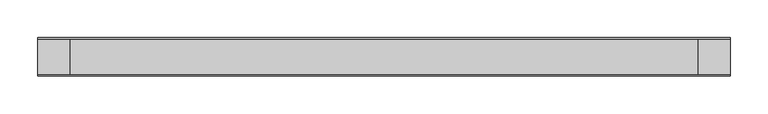
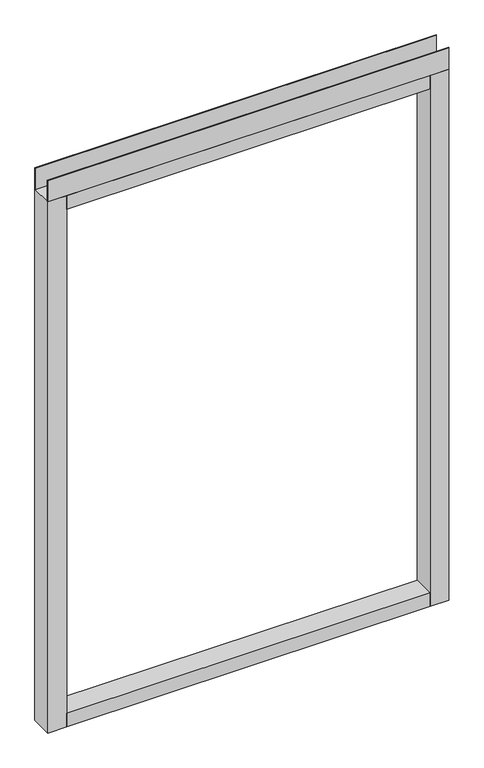
"""IFC4 building model written with IfcOpenShell, lengths in millimetres: furniture geometry."""

import ifcopenshell
import ifcopenshell.guid

model = None  # the IFC model being written
_history = None  # IfcOwnerHistory: only IFC2X3 demands one
_inside = {}  # id of a spatial element -> (the spatial element, [elements in it])
_under = {}  # id of a project, library or spatial element -> (it, [spatial elements below it])
_declared = {}  # id of a project -> (the project, [libraries it declares])
_typed = {}  # id of a type object -> (the type object, [elements of that type])
_made_of = {}  # id of a material, layer set ... -> (it, [elements and type objects made of it])


def new_model(schema):
    """Start an empty IFC model of exactly this schema.

    Asked for "IFC4X3", IfcOpenShell would pick the latest addendum, in which some entities
    have other attributes; the version numbers below select the first issue.
    IFC2X3 requires an IfcOwnerHistory on every rooted entity: one is made here for all.
    """
    global model, _history
    if schema == "IFC4X3":
        model = ifcopenshell.file(schema_version=(4, 3, 0, 0))
    else:
        model = ifcopenshell.file(schema=schema)
    _inside.clear()
    _under.clear()
    _declared.clear()
    _typed.clear()
    _made_of.clear()
    _history = None
    if model.schema == "IFC2X3":
        org = make("IfcOrganization", Name="unknown")
        user = make(
            "IfcPersonAndOrganization",
            ThePerson=make("IfcPerson", FamilyName="unknown"),
            TheOrganization=org,
        )
        app = make(
            "IfcApplication",
            ApplicationDeveloper=org,
            Version="unknown",
            ApplicationFullName="unknown",
            ApplicationIdentifier="unknown",
        )
        _history = make(
            "IfcOwnerHistory",
            OwningUser=user,
            OwningApplication=app,
            ChangeAction="ADDED",
            CreationDate=0,
        )
    return model


def make(cls, **values):
    """One entity of the class cls with the attributes given. An attribute that is None is left unset."""
    return model.create_entity(
        cls, **{name: value for name, value in values.items() if value is not None}
    )


def rooted(cls, **values):
    """An entity with a GlobalId (a new one), such as an element, a storey or a relation."""
    return make(cls, GlobalId=ifcopenshell.guid.new(), OwnerHistory=_history, **values)


def si_unit(unit_type, name, prefix=None):
    """IfcSIUnit, for example si_unit("LENGTHUNIT", "METRE", prefix="MILLI")."""
    return make("IfcSIUnit", UnitType=unit_type, Prefix=prefix, Name=name)


def assignment(units):
    """IfcUnitAssignment: the units of a project."""
    return None if units is None else make("IfcUnitAssignment", Units=units)


def point(xyz):
    """IfcCartesianPoint."""
    return None if xyz is None else make("IfcCartesianPoint", Coordinates=xyz)


def direction(xyz):
    """IfcDirection."""
    return None if xyz is None else make("IfcDirection", DirectionRatios=xyz)


def frame(location, z_axis=None, x_axis=None):
    """IfcAxis2Placement3D, a coordinate frame: its origin and axes. An axis left out is left unset."""
    return make(
        "IfcAxis2Placement3D",
        Location=point(location),
        Axis=direction(z_axis),
        RefDirection=direction(x_axis),
    )


def origin():
    """The frame at (0, 0, 0) with its axes left unset."""
    return frame((0.0, 0.0, 0.0))


def place(relative_to, where):
    """IfcLocalPlacement: puts the frame where relative to a parent placement (None: the world)."""
    return make(
        "IfcLocalPlacement", PlacementRelTo=relative_to, RelativePlacement=where
    )


def context(
    kind, dimensions, precision=None, world=None, true_north=None, identifier=None
):
    """IfcGeometricRepresentationContext, for example the 3D "Model" context."""
    return make(
        "IfcGeometricRepresentationContext",
        ContextIdentifier=identifier,
        ContextType=kind,
        CoordinateSpaceDimension=dimensions,
        Precision=precision,
        WorldCoordinateSystem=world,
        TrueNorth=true_north,
    )


def project(units=None, contexts=None):
    """IfcProject with its units and contexts."""
    return rooted(
        "IfcProject",
        Name="project",
        RepresentationContexts=contexts,
        UnitsInContext=assignment(units),
    )


def spatial(cls, under=None, at=None, **own):
    """A site, building, storey or space (cls), placed at a placement, below another one or the project."""
    s = rooted(cls, ObjectPlacement=at, **own)
    if under is not None:
        _under.setdefault(under.id(), (under, []))[1].append(s)
    return s


def polyline(points):
    """IfcPolyline through the points."""
    return make("IfcPolyline", Points=[point(p) for p in points])


def outline(outer, holes=None, kind="AREA"):
    """IfcArbitraryClosedProfileDef: a profile drawn as a closed curve; with holes, ...WithVoids."""
    if holes is None:
        return make("IfcArbitraryClosedProfileDef", ProfileType=kind, OuterCurve=outer)
    return make(
        "IfcArbitraryProfileDefWithVoids",
        ProfileType=kind,
        OuterCurve=outer,
        InnerCurves=holes,
    )


def extrude(swept, where, along, depth):
    """IfcExtrudedAreaSolid: the profile swept, set in the frame where, extruded along a direction by depth."""
    return make(
        "IfcExtrudedAreaSolid",
        SweptArea=swept,
        Position=where,
        ExtrudedDirection=direction(along),
        Depth=depth,
    )


def shape(context_of_items, identifier, shape_type, items):
    """IfcShapeRepresentation: the items that make up one representation, for example the "Body"."""
    return make(
        "IfcShapeRepresentation",
        ContextOfItems=context_of_items,
        RepresentationIdentifier=identifier,
        RepresentationType=shape_type,
        Items=items,
    )


def source(mapping_origin, context_of_items, identifier, shape_type, items):
    """IfcRepresentationMap: a shape defined once, which mapped items show again and again."""
    return make(
        "IfcRepresentationMap",
        MappingOrigin=mapping_origin,
        MappedRepresentation=shape(context_of_items, identifier, shape_type, items),
    )


def transform(
    local_origin,
    x_axis=None,
    y_axis=None,
    z_axis=None,
    scale=None,
    scale2=None,
    scale3=None,
    uniform=True,
):
    """IfcCartesianTransformationOperator3D, or its non-uniform kind. x_axis, y_axis, z_axis: its Axis1, 2, 3."""
    if uniform:
        return make(
            "IfcCartesianTransformationOperator3D",
            Axis1=direction(x_axis),
            Axis2=direction(y_axis),
            LocalOrigin=point(local_origin),
            Scale=scale,
            Axis3=direction(z_axis),
        )
    return make(
        "IfcCartesianTransformationOperator3DnonUniform",
        Axis1=direction(x_axis),
        Axis2=direction(y_axis),
        LocalOrigin=point(local_origin),
        Scale=scale,
        Axis3=direction(z_axis),
        Scale2=scale2,
        Scale3=scale3,
    )


def mapped(mapping_source, mapping_target):
    """IfcMappedItem: shows the shape of a source again, moved by a transform."""
    return make(
        "IfcMappedItem", MappingSource=mapping_source, MappingTarget=mapping_target
    )


def made_of(thing, what):
    """Note that an element or type object is made of a material, layer set ...; save() writes the relation."""
    if what is not None:
        _made_of.setdefault(what.id(), (what, []))[1].append(thing)
    return thing


def element(
    cls,
    number,
    at=None,
    inside=None,
    cuts=None,
    type_object=None,
    material=None,
    context=None,
    identifier="Body",
    shape_type=None,
    held_by="IfcProductDefinitionShape",
    body=None,
    shapes=None,
    **own,
):
    """One element of the class cls, such as IfcWall. Its Tag is "e" and its number.

    at: its placement. inside: the storey or other place that contains it. cuts: it is an
    opening in that element (IfcRelVoidsElement). A single representation is given by context,
    identifier, shape_type and body (its items); several are given by shapes. held_by: the class
    of the entity that holds the representations. save() writes the other relations.
    """
    e = rooted(cls, Tag="e%d" % number, ObjectPlacement=at, **own)
    if body is not None:
        shapes = [shape(context, identifier, shape_type, body)]
    if shapes is not None:
        e.Representation = make(held_by, Representations=shapes)
    if inside is not None:
        _inside.setdefault(inside.id(), (inside, []))[1].append(e)
    if cuts is not None:
        rooted(
            "IfcRelVoidsElement", RelatingBuildingElement=cuts, RelatedOpeningElement=e
        )
    if type_object is not None:
        _typed.setdefault(type_object.id(), (type_object, []))[1].append(e)
    return made_of(e, material)


def aggregate(whole, parts):
    """IfcRelAggregates: a whole, such as a stair, and the parts it consists of."""
    return rooted("IfcRelAggregates", RelatingObject=whole, RelatedObjects=parts)


def save(model, path):
    """Write the relations noted so far, then the file.

    IfcRelAggregates (storeys below a building ...), IfcRelContainedInSpatialStructure (elements
    in a storey), IfcRelDefinesByType, IfcRelAssociatesMaterial and IfcRelDeclares: one each for
    every whole, place, type object, material and project.
    """
    for whole, parts in _under.values():
        aggregate(whole, parts)
    for where, things in _inside.values():
        rooted(
            "IfcRelContainedInSpatialStructure",
            RelatedElements=things,
            RelatingStructure=where,
        )
    for kind, things in _typed.values():
        rooted("IfcRelDefinesByType", RelatedObjects=things, RelatingType=kind)
    for what, things in _made_of.values():
        rooted("IfcRelAssociatesMaterial", RelatedObjects=things, RelatingMaterial=what)
    for by, libraries in _declared.values():
        rooted("IfcRelDeclares", RelatingContext=by, RelatedDefinitions=libraries)
    model.write(path)


def furniture_4cc150db(model_context):
    return source(origin(), model_context, "Body", "SweptSolid", [
        extrude(outline(polyline([(457.2, -23.8125), (457.2, -25.4), (-457.2, -25.4), (-457.2, -23.8125), (457.2, -23.8125)])), frame((0.0, 0.0, 1381.633), z_axis=(0.0, 0.0, 1.0), x_axis=(1.0, 0.0, 0.0)), (0.0, 0.0, 1.0), 51.435),
        extrude(outline(polyline([(457.2, 25.4), (457.2, 23.8125), (-457.2, 23.8125), (-457.2, 25.4), (457.2, 25.4)])), frame((0.0, 0.0, 1381.633), z_axis=(0.0, 0.0, 1.0), x_axis=(1.0, 0.0, 0.0)), (0.0, 0.0, 1.0), 51.435),
        extrude(outline(polyline([(414.3375, -25.4), (-414.3375, -25.4), (-414.3375, 25.4), (414.3375, 25.4), (414.3375, -25.4)])), frame((0.0, 0.0, 1348.74), z_axis=(0.0, 0.0, 1.0), x_axis=(1.0, 0.0, 0.0)), (0.0, 0.0, 1.0), 32.893),
        extrude(outline(polyline([(414.3375, -25.4), (-414.3375, -25.4), (-414.3375, 25.4), (414.3375, 25.4), (414.3375, -25.4)])), frame((0.0, 0.0, 101.6), z_axis=(0.0, 0.0, 1.0), x_axis=(1.0, 0.0, 0.0)), (0.0, 0.0, 1.0), 32.893),
        extrude(outline(polyline([(-414.3375, -25.4), (-457.2, -25.4), (-457.2, 25.4), (-414.3375, 25.4), (-414.3375, -25.4)])), frame((0.0, 0.0, 101.6), z_axis=(0.0, 0.0, 1.0), x_axis=(1.0, 0.0, 0.0)), (0.0, 0.0, 1.0), 1280.033),
        extrude(outline(polyline([(457.2, -25.4), (414.3375, -25.4), (414.3375, 25.4), (457.2, 25.4), (457.2, -25.4)])), frame((0.0, 0.0, 101.6), z_axis=(0.0, 0.0, 1.0), x_axis=(1.0, 0.0, 0.0)), (0.0, 0.0, 1.0), 1280.033),
    ])


if __name__ == "__main__":
    model = new_model("IFC4")
    model_context = context("Model", 3, world=origin())
    ifc_project = project(units=[si_unit("LENGTHUNIT", "METRE", prefix="MILLI")], contexts=[model_context])
    site = spatial("IfcSite", under=ifc_project)
    building = spatial("IfcBuilding", under=site)
    placement = place(None, origin())
    furniture_shape = furniture_4cc150db(model_context)
    element("IfcFurniture", 1, at=placement, inside=building, context=model_context, shape_type="MappedRepresentation", body=[
        mapped(furniture_shape, transform((0.0, 0.0, 0.0), x_axis=(1.0, 0.0, 0.0), y_axis=(0.0, 1.0, 0.0), z_axis=(0.0, 0.0, 1.0))),
    ])
    save(model, "model.ifc")
